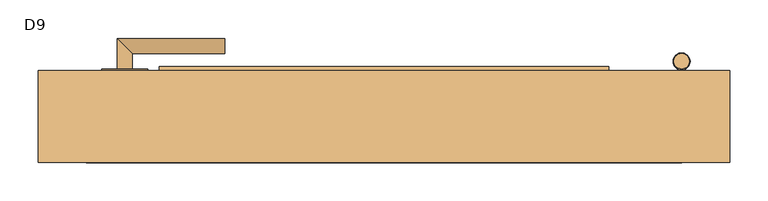
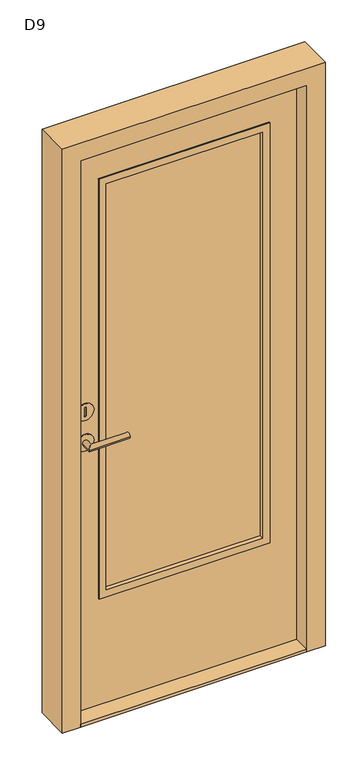
"""IFC4 building model written with IfcOpenShell, lengths in millimetres: door geometry, D9."""

from ifc_helpers import new_model, si_unit, point, frame, frame_2d, origin, origin_with_axes, place, context, project, spatial, polyline, circle_curve, ellipse_curve, trimmed, segment, composite_curve, outline, extrude, faceted_brep, source, transform, mapped, element, save
from ifc_brep_helpers import plane_surface, cylinder_surface, advanced_brep


def d9_d5fc1041(model_context):
    return source(origin(), model_context, "Body", "SolidModel", [
        advanced_brep(
        [(-340.1499435, 130.0, 974.5), (-360.1499435, 130.0, 974.5), (-360.1499435, 170.0, 974.5), (-340.1499435, 150.0, 974.5), (-220.1499435, 150.0, 974.5), (-220.1499435, 170.0, 974.5)],
        [
            (0, 1, circle_curve(frame((-350.1499435, 130.0, 974.5), z_axis=(0.0, -1.0, 0.0), x_axis=(-1.0, 0.0, 0.0)), 10.0)),
            (1, 0, circle_curve(frame((-350.1499435, 130.0, 974.5), z_axis=(0.0, -1.0, 0.0), x_axis=(-1.0, 0.0, 0.0)), 10.0)),
            (1, 2),
            (2, 3, ellipse_curve(frame((-350.1499435, 160.0, 974.5), z_axis=(-0.7071067811865546, -0.7071067811865405, 0.0), x_axis=(0.7071067811865405, -0.7071067811865545, 0.0)), 14.1421356, 10.0)),
            (3, 0),
            (3, 2, ellipse_curve(frame((-350.1499435, 160.0, 974.5), z_axis=(-0.7071067811865546, -0.7071067811865405, 0.0), x_axis=(0.7071067811865405, -0.7071067811865545, 0.0)), 14.1421356, 10.0)),
            (4, 5, circle_curve(frame((-220.1499435, 160.0, 974.5), z_axis=(1.0, 0.0, 0.0), x_axis=(0.0, 1.0, 0.0)), 10.0)),
            (5, 4, circle_curve(frame((-220.1499435, 160.0, 974.5), z_axis=(1.0, 0.0, 0.0), x_axis=(0.0, 1.0, 0.0)), 10.0)),
            (2, 5),
            (4, 3),
        ],
        [
            plane_surface(frame((-350.1499435, 130.0, 1030.0), z_axis=(0.0, -1.0, 0.0), x_axis=(0.0, 0.0, -1.0))),
            cylinder_surface(frame((-350.1499435, 130.0, 974.5), z_axis=(0.0, -1.0, 0.0), x_axis=(-1.0, 0.0, 0.0)), 10.0),
            plane_surface(frame((-220.1499435, 160.0, 1030.0), z_axis=(1.0, 0.0, 0.0), x_axis=(0.0, 0.0, -1.0))),
            cylinder_surface(frame((-350.1499435, 160.0, 974.5), z_axis=(-1.0, 0.0, 0.0), x_axis=(0.0, 1.0, 0.0)), 10.0),
        ],
        [
            (0, [[1, 2]]),
            (1, [[3, 4, 5, -2]]),
            (1, [[-5, 6, -3, -1]]),
            (2, [[7, 8]]),
            (3, [[9, -7, 10, -4]]),
            (3, [[-10, -8, -9, -6]]),
        ],
    ),
        extrude(outline(composite_curve([segment(trimmed(circle_curve(frame_2d((1085.5, -350.1499435)), 30.0), [point((1085.5, -380.1499435))], [point((1085.5, -320.1499435))], False, "CARTESIAN"), True, "CONTINUOUS"), segment(trimmed(circle_curve(frame_2d((1085.5, -350.1499435)), 30.0), [point((1085.5, -320.1499435))], [point((1085.5, -380.1499435))], False, "CARTESIAN"), True, "CONTINUOUS")], self_intersect=False), holes=[composite_curve([segment(polyline([(1099.6538884, -347.1499435), (1072.5, -347.1499435)]), True, "CONTINUOUS"), segment(trimmed(circle_curve(frame_2d((1072.5, -350.1499435)), 3.0), [point((1072.5, -347.1499435))], [point((1072.5, -353.1499435))], True, "CARTESIAN"), True, "CONTINUOUS"), segment(polyline([(1072.5, -353.1499435), (1099.6538884, -353.1499435)]), True, "CONTINUOUS"), segment(trimmed(circle_curve(frame_2d((1099.6538884, -350.1499435)), 3.0), [point((1099.6538884, -353.1499435))], [point((1099.6538884, -347.1499435))], True, "CARTESIAN"), True, "CONTINUOUS")], self_intersect=False)]), frame((0.0, 128.0, 0.0), z_axis=(0.0, 1.0, 0.0), x_axis=(0.0, 0.0, 1.0)), (0.0, 0.0, 1.0), 2.0),
        extrude(outline(composite_curve([segment(trimmed(circle_curve(frame_2d((974.5, -350.1499435)), 30.0), [point((974.5, -380.1499435))], [point((974.5, -320.1499435))], False, "CARTESIAN"), True, "CONTINUOUS"), segment(trimmed(circle_curve(frame_2d((974.5, -350.1499435)), 30.0), [point((974.5, -320.1499435))], [point((974.5, -380.1499435))], False, "CARTESIAN"), True, "CONTINUOUS")], self_intersect=False)), frame((0.0, 128.0, 0.0), z_axis=(0.0, 1.0, 0.0), x_axis=(0.0, 0.0, 1.0)), (0.0, 0.0, 1.0), 2.0),
        advanced_brep(
        [(-340.1499435, 66.0, 974.5), (-360.1499435, 66.0, 974.5), (-340.1499435, 46.0, 974.5), (-360.1499435, 26.0, 974.5), (-220.1499435, 46.0, 974.5), (-220.1499435, 26.0, 974.5)],
        [
            (0, 1, circle_curve(frame((-350.1499435, 66.0, 974.5), z_axis=(0.0, 1.0, 0.0), x_axis=(-1.0, 0.0, 0.0)), 10.0)),
            (1, 0, circle_curve(frame((-350.1499435, 66.0, 974.5), z_axis=(0.0, 1.0, 0.0), x_axis=(-1.0, 0.0, 0.0)), 10.0)),
            (0, 2),
            (2, 3, ellipse_curve(frame((-350.1499435, 36.0, 974.5), z_axis=(-0.7071067811865427, 0.7071067811865523, 0.0), x_axis=(0.7071067811865522, 0.7071067811865427, 0.0)), 14.1421356, 10.0)),
            (3, 1),
            (3, 2, ellipse_curve(frame((-350.1499435, 36.0, 974.5), z_axis=(-0.7071067811865427, 0.7071067811865523, 0.0), x_axis=(0.7071067811865522, 0.7071067811865427, 0.0)), 14.1421356, 10.0)),
            (4, 5, circle_curve(frame((-220.1499435, 36.0, 974.5), z_axis=(1.0, 0.0, 0.0), x_axis=(0.0, -1.0, 0.0)), 10.0)),
            (5, 4, circle_curve(frame((-220.1499435, 36.0, 974.5), z_axis=(1.0, 0.0, 0.0), x_axis=(0.0, -1.0, 0.0)), 10.0)),
            (2, 4),
            (5, 3),
        ],
        [
            plane_surface(frame((-350.1499435, 66.0, 1030.0), z_axis=(0.0, 1.0, 0.0), x_axis=(0.0, 0.0, -1.0))),
            cylinder_surface(frame((-350.1499435, 66.0, 974.5), z_axis=(0.0, 1.0, 0.0), x_axis=(-1.0, 0.0, 0.0)), 10.0),
            plane_surface(frame((-220.1499435, 36.0, 1030.0), z_axis=(1.0, 0.0, 0.0), x_axis=(0.0, 0.0, -1.0))),
            cylinder_surface(frame((-350.1499435, 36.0, 974.5), z_axis=(-1.0, 0.0, 0.0), x_axis=(0.0, -1.0, 0.0)), 10.0),
        ],
        [
            (0, [[1, 2]]),
            (1, [[-1, 3, 4, 5]]),
            (1, [[-2, -5, 6, -3]]),
            (2, [[7, 8]]),
            (3, [[-4, 9, -8, 10]]),
            (3, [[-6, -10, -7, -9]]),
        ],
    ),
        extrude(outline(composite_curve([segment(trimmed(circle_curve(frame_2d((1085.5, -350.1499435)), 30.0), [point((1085.5, -380.1499435))], [point((1085.5, -320.1499435))], False, "CARTESIAN"), True, "CONTINUOUS"), segment(trimmed(circle_curve(frame_2d((1085.5, -350.1499435)), 30.0), [point((1085.5, -320.1499435))], [point((1085.5, -380.1499435))], False, "CARTESIAN"), True, "CONTINUOUS")], self_intersect=False), holes=[composite_curve([segment(polyline([(1099.6538884, -347.1499435), (1072.5, -347.1499435)]), True, "CONTINUOUS"), segment(trimmed(circle_curve(frame_2d((1072.5, -350.1499435)), 3.0), [point((1072.5, -347.1499435))], [point((1072.5, -353.1499435))], True, "CARTESIAN"), True, "CONTINUOUS"), segment(polyline([(1072.5, -353.1499435), (1099.6538884, -353.1499435)]), True, "CONTINUOUS"), segment(trimmed(circle_curve(frame_2d((1099.6538884, -350.1499435)), 3.0), [point((1099.6538884, -353.1499435))], [point((1099.6538884, -347.1499435))], True, "CARTESIAN"), True, "CONTINUOUS")], self_intersect=False)]), frame((0.0, 66.0, 0.0), z_axis=(0.0, 1.0, 0.0), x_axis=(0.0, 0.0, 1.0)), (0.0, 0.0, 1.0), 2.0),
        extrude(outline(composite_curve([segment(trimmed(circle_curve(frame_2d((974.5, -350.1499435)), 30.0), [point((974.5, -380.1499435))], [point((974.5, -320.1499435))], False, "CARTESIAN"), True, "CONTINUOUS"), segment(trimmed(circle_curve(frame_2d((974.5, -350.1499435)), 30.0), [point((974.5, -320.1499435))], [point((974.5, -380.1499435))], False, "CARTESIAN"), True, "CONTINUOUS")], self_intersect=False)), frame((0.0, 66.0, 0.0), z_axis=(0.0, 1.0, 0.0), x_axis=(0.0, 0.0, 1.0)), (0.0, 0.0, 1.0), 2.0),
        extrude(outline(polyline([(2047.5, 374.8500565), (2047.5, -400.1499435), (10.0, -400.1499435), (10.0, 374.8500565), (2047.5, 374.8500565)]), holes=[polyline([(1897.5, -290.1499435), (1897.5, 264.8500565), (410.0, 264.8500565), (410.0, -290.1499435), (1897.5, -290.1499435)])]), frame((0.0, 68.0, 0.0), z_axis=(0.0, 1.0, 0.0), x_axis=(0.0, 0.0, 1.0)), (0.0, 0.0, 1.0), 60.0),
        faceted_brep([(-305.1499435, 128.0, 1912.5), (-305.1499435, 133.0, 1912.5), (-305.1499435, 133.0, 395.0), (-305.1499435, 128.0, 395.0), (-290.1499435, 118.0, 1897.5), (-290.1499435, 128.0, 1897.5), (-290.1499435, 128.0, 410.0), (-290.1499435, 118.0, 410.0), (-280.1499435, 133.0, 1887.5), (-280.1499435, 118.0, 1887.5), (-280.1499435, 118.0, 420.0), (-280.1499435, 133.0, 420.0), (279.8500565, 133.0, 395.0), (279.8500565, 128.0, 395.0), (264.8500565, 128.0, 410.0), (264.8500565, 118.0, 410.0), (254.8500565, 118.0, 420.0), (254.8500565, 133.0, 420.0), (279.8500565, 133.0, 1912.5), (279.8500565, 128.0, 1912.5), (264.8500565, 128.0, 1897.5), (264.8500565, 118.0, 1897.5), (254.8500565, 118.0, 1887.5), (254.8500565, 133.0, 1887.5)], [[[0, 1, 2, 3]], [[4, 5, 6, 7]], [[8, 9, 10, 11]], [[3, 2, 12, 13]], [[7, 6, 14, 15]], [[11, 10, 16, 17]], [[13, 12, 18, 19]], [[15, 14, 20, 21]], [[17, 16, 22, 23]], [[19, 18, 1, 0]], [[3, 13, 19, 0], [5, 20, 14, 6]], [[21, 20, 5, 4]], [[7, 15, 21, 4], [9, 22, 16, 10]], [[23, 22, 9, 8]], [[1, 18, 12, 2], [11, 17, 23, 8]]]),
        faceted_brep([(-280.1499435, 78.0, 1887.5), (-280.1499435, 63.0, 1887.5), (-280.1499435, 63.0, 420.0), (-280.1499435, 78.0, 420.0), (-290.1499435, 68.0, 1897.5), (-290.1499435, 78.0, 1897.5), (-290.1499435, 78.0, 410.0), (-290.1499435, 68.0, 410.0), (-305.1499435, 63.0, 1912.5), (-305.1499435, 68.0, 1912.5), (-305.1499435, 68.0, 395.0), (-305.1499435, 63.0, 395.0), (254.8500565, 63.0, 420.0), (254.8500565, 78.0, 420.0), (264.8500565, 78.0, 410.0), (264.8500565, 68.0, 410.0), (279.8500565, 68.0, 395.0), (279.8500565, 63.0, 395.0), (254.8500565, 63.0, 1887.5), (254.8500565, 78.0, 1887.5), (264.8500565, 78.0, 1897.5), (264.8500565, 68.0, 1897.5), (279.8500565, 68.0, 1912.5), (279.8500565, 63.0, 1912.5)], [[[0, 1, 2, 3]], [[4, 5, 6, 7]], [[8, 9, 10, 11]], [[3, 2, 12, 13]], [[7, 6, 14, 15]], [[11, 10, 16, 17]], [[13, 12, 18, 19]], [[15, 14, 20, 21]], [[17, 16, 22, 23]], [[11, 17, 23, 8], [1, 18, 12, 2]], [[19, 18, 1, 0]], [[5, 20, 14, 6], [3, 13, 19, 0]], [[21, 20, 5, 4]], [[9, 22, 16, 10], [7, 15, 21, 4]], [[23, 22, 9, 8]]]),
        extrude(outline(polyline([(264.8500565, 78.0), (-290.1499435, 78.0), (-290.1499435, 118.0), (264.8500565, 118.0), (264.8500565, 78.0)])), frame((0.0, 0.0, 410.0), z_axis=(0.0, 0.0, 1.0), x_axis=(1.0, 0.0, 0.0)), (0.0, 0.0, 1.0), 1487.5),
        advanced_brep(
        [(374.8500565, 130.0, 326.0), (374.8500565, 150.0, 326.0), (374.8500565, 130.0, 195.0), (374.8500565, 150.0, 195.0), (374.8500565, 130.0, 295.5), (374.8500565, 150.0, 295.5), (374.8500565, 150.0, 225.5), (374.8500565, 130.0, 225.5), (374.8500565, 130.0, 230.5), (374.8500565, 150.0, 230.5), (374.8500565, 150.0, 290.5), (374.8500565, 130.0, 290.5), (363.8500565, 140.0, 230.5), (385.8500565, 140.0, 230.5), (363.8500565, 140.0, 225.5), (385.8500565, 140.0, 225.5), (363.8500565, 140.0, 290.5), (385.8500565, 140.0, 290.5), (363.8500565, 140.0, 295.5), (385.8500565, 140.0, 295.5)],
        [
            (0, 1, circle_curve(frame((374.8500565, 140.0, 326.0), z_axis=(0.0, 0.0, 1.0), x_axis=(0.0, 1.0, 0.0)), 10.0)),
            (1, 0, circle_curve(frame((374.8500565, 140.0, 326.0), z_axis=(0.0, 0.0, 1.0), x_axis=(0.0, 1.0, 0.0)), 10.0)),
            (2, 3, circle_curve(frame((374.8500565, 140.0, 195.0), z_axis=(0.0, 0.0, -1.0), x_axis=(0.0, 1.0, 0.0)), 10.0)),
            (3, 2, circle_curve(frame((374.8500565, 140.0, 195.0), z_axis=(0.0, 0.0, -1.0), x_axis=(0.0, 1.0, 0.0)), 10.0)),
            (0, 4),
            (4, 5, circle_curve(frame((374.8500565, 140.0, 295.5), z_axis=(0.0, 0.0, 1.0), x_axis=(0.0, 1.0, 0.0)), 10.0)),
            (5, 1),
            (3, 6),
            (6, 7, circle_curve(frame((374.8500565, 140.0, 225.5), z_axis=(0.0, 0.0, -1.0), x_axis=(0.0, 1.0, 0.0)), 10.0)),
            (7, 2),
            (8, 9, circle_curve(frame((374.8500565, 140.0, 230.5), z_axis=(0.0, 0.0, 1.0), x_axis=(0.0, 1.0, 0.0)), 10.0)),
            (9, 10),
            (10, 11, circle_curve(frame((374.8500565, 140.0, 290.5), z_axis=(0.0, 0.0, -1.0), x_axis=(0.0, 1.0, 0.0)), 10.0)),
            (11, 8),
            (5, 4, circle_curve(frame((374.8500565, 140.0, 295.5), z_axis=(0.0, 0.0, 1.0), x_axis=(0.0, 1.0, 0.0)), 10.0)),
            (7, 6, circle_curve(frame((374.8500565, 140.0, 225.5), z_axis=(0.0, 0.0, -1.0), x_axis=(0.0, 1.0, 0.0)), 10.0)),
            (9, 8, circle_curve(frame((374.8500565, 140.0, 230.5), z_axis=(0.0, 0.0, 1.0), x_axis=(0.0, 1.0, 0.0)), 10.0)),
            (11, 10, circle_curve(frame((374.8500565, 140.0, 290.5), z_axis=(0.0, 0.0, -1.0), x_axis=(0.0, 1.0, 0.0)), 10.0)),
            (12, 13, circle_curve(frame((374.8500565, 140.0, 230.5), z_axis=(0.0, 0.0, 1.0), x_axis=(1.0, 0.0, 0.0)), 11.0)),
            (13, 12, circle_curve(frame((374.8500565, 140.0, 230.5), z_axis=(0.0, 0.0, 1.0), x_axis=(1.0, 0.0, 0.0)), 11.0)),
            (14, 15, circle_curve(frame((374.8500565, 140.0, 225.5), z_axis=(0.0, 0.0, -1.0), x_axis=(1.0, 0.0, 0.0)), 11.0)),
            (15, 14, circle_curve(frame((374.8500565, 140.0, 225.5), z_axis=(0.0, 0.0, -1.0), x_axis=(1.0, 0.0, 0.0)), 11.0)),
            (12, 14),
            (15, 13),
            (16, 17, circle_curve(frame((374.8500565, 140.0, 290.5), z_axis=(0.0, 0.0, -1.0), x_axis=(1.0, 0.0, 0.0)), 11.0)),
            (17, 16, circle_curve(frame((374.8500565, 140.0, 290.5), z_axis=(0.0, 0.0, -1.0), x_axis=(1.0, 0.0, 0.0)), 11.0)),
            (18, 19, circle_curve(frame((374.8500565, 140.0, 295.5), z_axis=(0.0, 0.0, 1.0), x_axis=(1.0, 0.0, 0.0)), 11.0)),
            (19, 18, circle_curve(frame((374.8500565, 140.0, 295.5), z_axis=(0.0, 0.0, 1.0), x_axis=(1.0, 0.0, 0.0)), 11.0)),
            (17, 19),
            (18, 16),
        ],
        [
            plane_surface(frame((374.8500565, 140.0, 326.0), z_axis=(0.0, 0.0, 1.0), x_axis=(1.0, 0.0, 0.0))),
            plane_surface(frame((374.8500565, 140.0, 195.0), z_axis=(0.0, 0.0, -1.0), x_axis=(1.0, 0.0, 0.0))),
            cylinder_surface(frame((374.8500565, 140.0, 326.0), z_axis=(0.0, 0.0, 1.0), x_axis=(0.0, 1.0, 0.0)), 10.0),
            plane_surface(frame((385.8500565, 140.0, 230.5), z_axis=(0.0, 0.0, 1.0), x_axis=(0.0, 1.0, 0.0))),
            plane_surface(frame((385.8500565, 140.0, 225.5), z_axis=(0.0, 0.0, -1.0), x_axis=(0.0, -1.0, 0.0))),
            cylinder_surface(frame((374.8500565, 140.0, 225.5), z_axis=(0.0, 0.0, 1.0), x_axis=(1.0, 0.0, 0.0)), 11.0),
            plane_surface(frame((385.8500565, 140.0, 290.5), z_axis=(0.0, 0.0, -1.0), x_axis=(0.0, -1.0, 0.0))),
            plane_surface(frame((385.8500565, 140.0, 295.5), z_axis=(0.0, 0.0, 1.0), x_axis=(0.0, 1.0, 0.0))),
            cylinder_surface(frame((374.8500565, 140.0, 295.5), z_axis=(0.0, 0.0, -1.0), x_axis=(1.0, 0.0, 0.0)), 11.0),
        ],
        [
            (0, [[1, 2]]),
            (1, [[3, 4]]),
            (2, [[-1, 5, 6, 7]]),
            (2, [[-4, 8, 9, 10]]),
            (2, [[11, 12, 13, 14]]),
            (2, [[-2, -7, 15, -5]]),
            (2, [[-3, -10, 16, -8]]),
            (2, [[17, -14, 18, -12]]),
            (3, [[19, 20], [-11, -17]]),
            (4, [[21, 22], [-9, -16]]),
            (5, [[-19, 23, -22, 24]]),
            (5, [[-20, -24, -21, -23]]),
            (6, [[25, 26], [-13, -18]]),
            (7, [[27, 28], [-6, -15]]),
            (8, [[-26, 29, -27, 30]]),
            (8, [[-25, -30, -28, -29]]),
        ],
    ),
        advanced_brep(
        [(374.8500565, 130.0, 1734.0), (374.8500565, 150.0, 1734.0), (374.8500565, 130.0, 1865.0), (374.8500565, 150.0, 1865.0), (374.8500565, 130.0, 1764.5), (374.8500565, 150.0, 1764.5), (374.8500565, 150.0, 1834.5), (374.8500565, 130.0, 1834.5), (374.8500565, 130.0, 1829.5), (374.8500565, 150.0, 1829.5), (374.8500565, 150.0, 1769.5), (374.8500565, 130.0, 1769.5), (385.8500565, 140.0, 1829.5), (363.8500565, 140.0, 1829.5), (385.8500565, 140.0, 1834.5), (363.8500565, 140.0, 1834.5), (385.8500565, 140.0, 1769.5), (363.8500565, 140.0, 1769.5), (385.8500565, 140.0, 1764.5), (363.8500565, 140.0, 1764.5)],
        [
            (0, 1, circle_curve(frame((374.8500565, 140.0, 1734.0), z_axis=(0.0, 0.0, -1.0), x_axis=(0.0, 1.0, 0.0)), 10.0)),
            (1, 0, circle_curve(frame((374.8500565, 140.0, 1734.0), z_axis=(0.0, 0.0, -1.0), x_axis=(0.0, 1.0, 0.0)), 10.0)),
            (2, 3, circle_curve(frame((374.8500565, 140.0, 1865.0), z_axis=(0.0, 0.0, 1.0), x_axis=(0.0, 1.0, 0.0)), 10.0)),
            (3, 2, circle_curve(frame((374.8500565, 140.0, 1865.0), z_axis=(0.0, 0.0, 1.0), x_axis=(0.0, 1.0, 0.0)), 10.0)),
            (0, 4),
            (4, 5, circle_curve(frame((374.8500565, 140.0, 1764.5), z_axis=(0.0, 0.0, -1.0), x_axis=(0.0, 1.0, 0.0)), 10.0)),
            (5, 1),
            (3, 6),
            (6, 7, circle_curve(frame((374.8500565, 140.0, 1834.5), z_axis=(0.0, 0.0, 1.0), x_axis=(0.0, 1.0, 0.0)), 10.0)),
            (7, 2),
            (8, 9, circle_curve(frame((374.8500565, 140.0, 1829.5), z_axis=(0.0, 0.0, -1.0), x_axis=(0.0, 1.0, 0.0)), 10.0)),
            (9, 10),
            (10, 11, circle_curve(frame((374.8500565, 140.0, 1769.5), z_axis=(0.0, 0.0, 1.0), x_axis=(0.0, 1.0, 0.0)), 10.0)),
            (11, 8),
            (5, 4, circle_curve(frame((374.8500565, 140.0, 1764.5), z_axis=(0.0, 0.0, -1.0), x_axis=(0.0, 1.0, 0.0)), 10.0)),
            (7, 6, circle_curve(frame((374.8500565, 140.0, 1834.5), z_axis=(0.0, 0.0, 1.0), x_axis=(0.0, 1.0, 0.0)), 10.0)),
            (9, 8, circle_curve(frame((374.8500565, 140.0, 1829.5), z_axis=(0.0, 0.0, -1.0), x_axis=(0.0, 1.0, 0.0)), 10.0)),
            (11, 10, circle_curve(frame((374.8500565, 140.0, 1769.5), z_axis=(0.0, 0.0, 1.0), x_axis=(0.0, 1.0, 0.0)), 10.0)),
            (12, 13, circle_curve(frame((374.8500565, 140.0, 1829.5), z_axis=(0.0, 0.0, -1.0), x_axis=(-1.0, 0.0, 0.0)), 11.0)),
            (13, 12, circle_curve(frame((374.8500565, 140.0, 1829.5), z_axis=(0.0, 0.0, -1.0), x_axis=(-1.0, 0.0, 0.0)), 11.0)),
            (14, 15, circle_curve(frame((374.8500565, 140.0, 1834.5), z_axis=(0.0, 0.0, 1.0), x_axis=(-1.0, 0.0, 0.0)), 11.0)),
            (15, 14, circle_curve(frame((374.8500565, 140.0, 1834.5), z_axis=(0.0, 0.0, 1.0), x_axis=(-1.0, 0.0, 0.0)), 11.0)),
            (12, 14),
            (15, 13),
            (16, 17, circle_curve(frame((374.8500565, 140.0, 1769.5), z_axis=(0.0, 0.0, 1.0), x_axis=(-1.0, 0.0, 0.0)), 11.0)),
            (17, 16, circle_curve(frame((374.8500565, 140.0, 1769.5), z_axis=(0.0, 0.0, 1.0), x_axis=(-1.0, 0.0, 0.0)), 11.0)),
            (18, 19, circle_curve(frame((374.8500565, 140.0, 1764.5), z_axis=(0.0, 0.0, -1.0), x_axis=(-1.0, 0.0, 0.0)), 11.0)),
            (19, 18, circle_curve(frame((374.8500565, 140.0, 1764.5), z_axis=(0.0, 0.0, -1.0), x_axis=(-1.0, 0.0, 0.0)), 11.0)),
            (17, 19),
            (18, 16),
        ],
        [
            plane_surface(frame((374.8500565, 140.0, 1734.0), z_axis=(0.0, 0.0, -1.0), x_axis=(-1.0, 0.0, 0.0))),
            plane_surface(frame((374.8500565, 140.0, 1865.0), z_axis=(0.0, 0.0, 1.0), x_axis=(-1.0, 0.0, 0.0))),
            cylinder_surface(frame((374.8500565, 140.0, 1734.0), z_axis=(0.0, 0.0, -1.0), x_axis=(0.0, 1.0, 0.0)), 10.0),
            plane_surface(frame((363.8500565, 140.0, 1829.5), z_axis=(0.0, 0.0, -1.0), x_axis=(0.0, 1.0, 0.0))),
            plane_surface(frame((363.8500565, 140.0, 1834.5), z_axis=(0.0, 0.0, 1.0), x_axis=(0.0, -1.0, 0.0))),
            cylinder_surface(frame((374.8500565, 140.0, 1834.5), z_axis=(0.0, 0.0, -1.0), x_axis=(-1.0, 0.0, 0.0)), 11.0),
            plane_surface(frame((363.8500565, 140.0, 1769.5), z_axis=(0.0, 0.0, 1.0), x_axis=(0.0, -1.0, 0.0))),
            plane_surface(frame((363.8500565, 140.0, 1764.5), z_axis=(0.0, 0.0, -1.0), x_axis=(0.0, 1.0, 0.0))),
            cylinder_surface(frame((374.8500565, 140.0, 1764.5), z_axis=(0.0, 0.0, 1.0), x_axis=(-1.0, 0.0, 0.0)), 11.0),
        ],
        [
            (0, [[1, 2]]),
            (1, [[3, 4]]),
            (2, [[-1, 5, 6, 7]]),
            (2, [[-4, 8, 9, 10]]),
            (2, [[11, 12, 13, 14]]),
            (2, [[-2, -7, 15, -5]]),
            (2, [[-3, -10, 16, -8]]),
            (2, [[17, -14, 18, -12]]),
            (3, [[19, 20], [-11, -17]]),
            (4, [[21, 22], [-9, -16]]),
            (5, [[-19, 23, -22, 24]]),
            (5, [[-20, -24, -21, -23]]),
            (6, [[25, 26], [-13, -18]]),
            (7, [[27, 28], [-6, -15]]),
            (8, [[-26, 29, -27, 30]]),
            (8, [[-25, -30, -28, -29]]),
        ],
    ),
        extrude(outline(polyline([(2110.0, 437.3500565), (2110.0, -462.6499435), (0.0, -462.6499435), (0.0, -400.1499435), (2047.5, -400.1499435), (2047.5, 374.8500565), (0.0, 374.8500565), (0.0, 437.3500565), (2110.0, 437.3500565)])), frame((0.0, 8.0, 0.0), z_axis=(0.0, 1.0, 0.0), x_axis=(0.0, 0.0, 1.0)), (0.0, 0.0, 1.0), 120.0),
        extrude(outline(polyline([(-400.1499435, 8.0), (-400.1499435, 128.0), (374.8500565, 128.0), (374.8500565, 8.0), (-400.1499435, 8.0)])), origin_with_axes(), (0.0, 0.0, 1.0), 10.0),
    ])


if __name__ == "__main__":
    model = new_model("IFC4")
    model_context = context("Model", 3, world=origin())
    ifc_project = project(units=[si_unit("LENGTHUNIT", "METRE", prefix="MILLI")], contexts=[model_context])
    site = spatial("IfcSite", under=ifc_project)
    building = spatial("IfcBuilding", under=site)
    placement = place(None, origin())
    d9_shape = d9_d5fc1041(model_context)
    element("IfcDoor", 1, ObjectType="D9", at=placement, inside=building, context=model_context, shape_type="MappedRepresentation", body=[
        mapped(d9_shape, transform((0.0, 0.0, 0.0), x_axis=(1.0, 0.0, 0.0), y_axis=(0.0, 1.0, 0.0), z_axis=(0.0, 0.0, 1.0))),
    ])
    save(model, "model.ifc")
